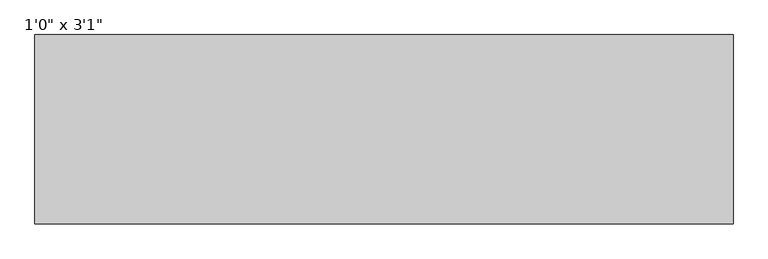
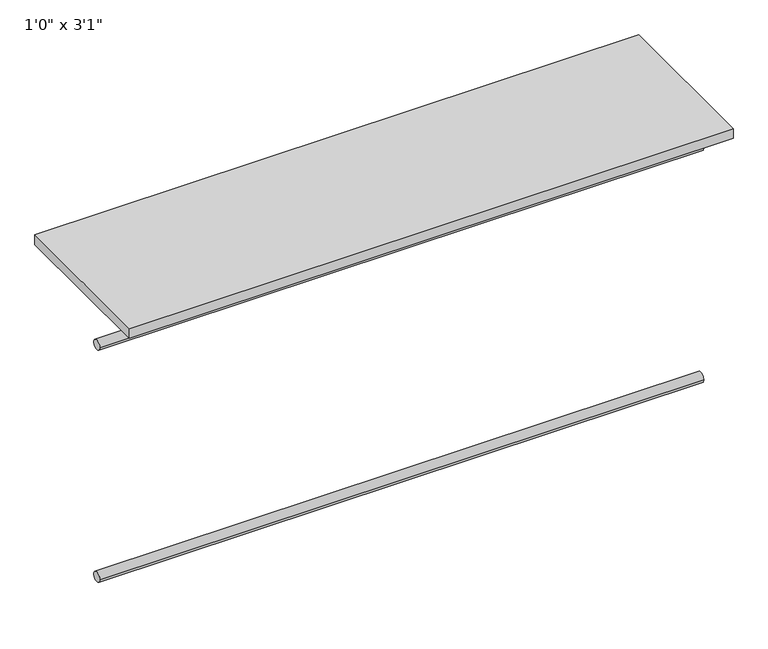
"""IFC4 building model written with IfcOpenShell, lengths in millimetres: furniture geometry."""

from ifc_helpers import new_model, si_unit, point, frame, frame_2d, origin, origin_with_axes, place, context, project, spatial, polyline, circle_curve, trimmed, segment, composite_curve, outline, extrude, source, transform, mapped, element, save


def furniture_39fd6e20(model_context):
    return source(origin(), model_context, "Body", "SweptSolid", [
        extrude(outline(composite_curve([segment(trimmed(circle_curve(frame_2d((342.9, -711.2)), 12.7), [point((330.2, -711.2))], [point((355.6, -711.2))], False, "CARTESIAN"), True, "CONTINUOUS"), segment(trimmed(circle_curve(frame_2d((342.9, -711.2)), 12.7), [point((355.6, -711.2))], [point((330.2, -711.2))], False, "CARTESIAN"), True, "CONTINUOUS")], self_intersect=False)), frame((-731.3928708, 0.0, 0.0), z_axis=(1.0, 0.0, 0.0), x_axis=(0.0, 1.0, 0.0)), (0.0, 0.0, 1.0), 1500.2611515),
        extrude(outline(composite_curve([segment(trimmed(circle_curve(frame_2d((342.9, -101.6)), 12.7), [point((330.2, -101.6))], [point((355.6, -101.6))], False, "CARTESIAN"), True, "CONTINUOUS"), segment(trimmed(circle_curve(frame_2d((342.9, -101.6)), 12.7), [point((355.6, -101.6))], [point((330.2, -101.6))], False, "CARTESIAN"), True, "CONTINUOUS")], self_intersect=False)), frame((-731.3928708, 0.0, 0.0), z_axis=(1.0, 0.0, 0.0), x_axis=(0.0, 1.0, 0.0)), (0.0, 0.0, 1.0), 1500.2611515),
        extrude(outline(polyline([(768.8682806, 203.2), (-731.3928708, 203.2), (-731.3928708, 609.6), (768.8682806, 609.6), (768.8682806, 203.2)])), origin_with_axes(), (0.0, 0.0, 1.0), 25.4),
    ])


if __name__ == "__main__":
    model = new_model("IFC4")
    model_context = context("Model", 3, world=origin())
    ifc_project = project(units=[si_unit("LENGTHUNIT", "METRE", prefix="MILLI")], contexts=[model_context])
    site = spatial("IfcSite", under=ifc_project)
    building = spatial("IfcBuilding", under=site)
    placement = place(None, origin())
    furniture_shape = furniture_39fd6e20(model_context)
    element("IfcFurniture", 1, ObjectType="1'0\" x 3'1\"", at=placement, inside=building, context=model_context, shape_type="MappedRepresentation", body=[
        mapped(furniture_shape, transform((0.0, 0.0, 0.0), x_axis=(1.0, 0.0, 0.0), y_axis=(0.0, 1.0, 0.0), z_axis=(0.0, 0.0, 1.0))),
    ])
    save(model, "model.ifc")
